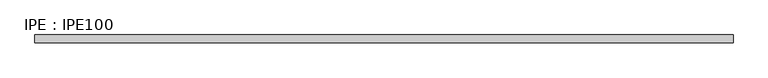
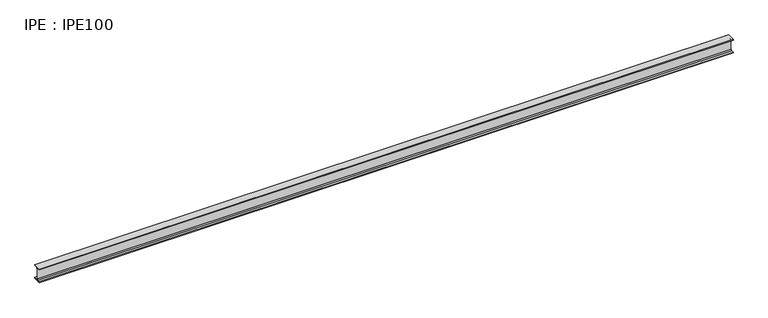
"""IFC4 building model written with IfcOpenShell, lengths in millimetres: beam geometry, IPE : IPE100."""

from ifc_helpers import new_model, si_unit, point, frame, frame_2d, origin, place, context, project, spatial, polyline, circle_curve, trimmed, segment, composite_curve, outline, extrude, source, transform, mapped, element, save


def ipe_ipe100_5d13c6e1(model_context):
    return source(origin(), model_context, "Body", "SweptSolid", [
        extrude(outline(composite_curve([segment(polyline([(27.5, -44.3), (27.5, -50.0), (-27.5, -50.0), (-27.5, -44.3), (-9.05, -44.3)]), True, "CONTINUOUS"), segment(trimmed(circle_curve(frame_2d((-9.05, -37.3)), 7.0), [point((-9.05, -44.3))], [point((-2.05, -37.3))], True, "CARTESIAN"), True, "CONTINUOUS"), segment(polyline([(-2.05, -37.3), (-2.05, 37.3)]), True, "CONTINUOUS"), segment(trimmed(circle_curve(frame_2d((-9.05, 37.3)), 7.0), [point((-2.05, 37.3))], [point((-9.05, 44.3))], True, "CARTESIAN"), True, "CONTINUOUS"), segment(polyline([(-9.05, 44.3), (-27.5, 44.3), (-27.5, 50.0), (27.5, 50.0), (27.5, 44.3), (9.05, 44.3)]), True, "CONTINUOUS"), segment(trimmed(circle_curve(frame_2d((9.05, 37.3)), 7.0), [point((9.05, 44.3))], [point((2.05, 37.3))], True, "CARTESIAN"), True, "CONTINUOUS"), segment(polyline([(2.05, 37.3), (2.05, -37.3)]), True, "CONTINUOUS"), segment(trimmed(circle_curve(frame_2d((9.05, -37.3)), 7.0), [point((2.05, -37.3))], [point((9.05, -44.3))], True, "CARTESIAN"), True, "CONTINUOUS"), segment(polyline([(9.05, -44.3), (27.5, -44.3)]), True, "CONTINUOUS")], self_intersect=False)), frame((-2432.85, 0.0, 0.0), z_axis=(1.0, 0.0, 0.0), x_axis=(0.0, 1.0, 0.0)), (0.0, 0.0, 1.0), 4852.5),
    ])


if __name__ == "__main__":
    model = new_model("IFC4")
    model_context = context("Model", 3, world=origin())
    ifc_project = project(units=[si_unit("LENGTHUNIT", "METRE", prefix="MILLI")], contexts=[model_context])
    site = spatial("IfcSite", under=ifc_project)
    building = spatial("IfcBuilding", under=site)
    placement = place(None, origin())
    ipe_ipe100_shape = ipe_ipe100_5d13c6e1(model_context)
    element("IfcBeam", 1, ObjectType="IPE : IPE100", at=placement, inside=building, context=model_context, shape_type="MappedRepresentation", body=[
        mapped(ipe_ipe100_shape, transform((0.0, 0.0, 0.0), x_axis=(1.0, 0.0, 0.0), y_axis=(0.0, 1.0, 0.0), z_axis=(0.0, 0.0, 1.0))),
    ])
    save(model, "model.ifc")
